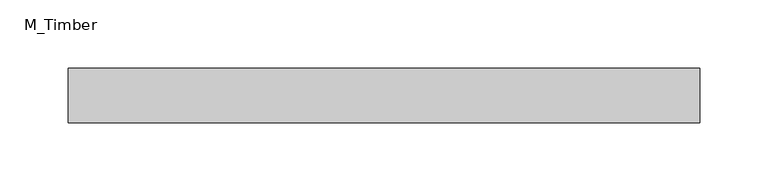
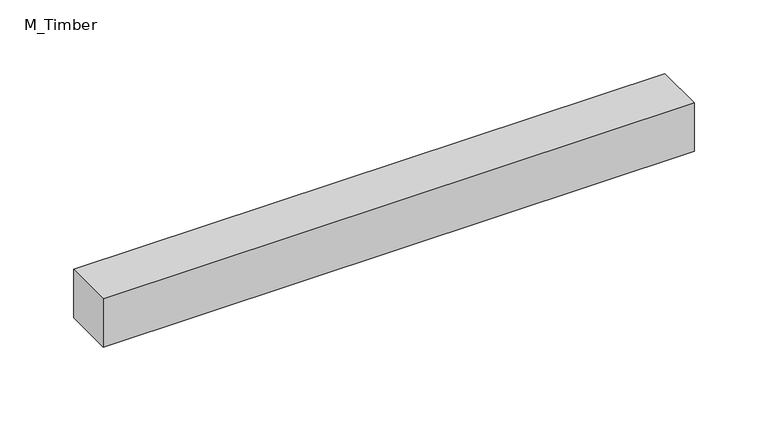
"""IFC4 building model written with IfcOpenShell, lengths in millimetres: beam geometry, M_Timber."""

import ifcopenshell
import ifcopenshell.guid

model = None  # the IFC model being written
_history = None  # IfcOwnerHistory: only IFC2X3 demands one
_inside = {}  # id of a spatial element -> (the spatial element, [elements in it])
_under = {}  # id of a project, library or spatial element -> (it, [spatial elements below it])
_declared = {}  # id of a project -> (the project, [libraries it declares])
_typed = {}  # id of a type object -> (the type object, [elements of that type])
_made_of = {}  # id of a material, layer set ... -> (it, [elements and type objects made of it])


def new_model(schema):
    """Start an empty IFC model of exactly this schema.

    Asked for "IFC4X3", IfcOpenShell would pick the latest addendum, in which some entities
    have other attributes; the version numbers below select the first issue.
    IFC2X3 requires an IfcOwnerHistory on every rooted entity: one is made here for all.
    """
    global model, _history
    if schema == "IFC4X3":
        model = ifcopenshell.file(schema_version=(4, 3, 0, 0))
    else:
        model = ifcopenshell.file(schema=schema)
    _inside.clear()
    _under.clear()
    _declared.clear()
    _typed.clear()
    _made_of.clear()
    _history = None
    if model.schema == "IFC2X3":
        org = make("IfcOrganization", Name="unknown")
        user = make(
            "IfcPersonAndOrganization",
            ThePerson=make("IfcPerson", FamilyName="unknown"),
            TheOrganization=org,
        )
        app = make(
            "IfcApplication",
            ApplicationDeveloper=org,
            Version="unknown",
            ApplicationFullName="unknown",
            ApplicationIdentifier="unknown",
        )
        _history = make(
            "IfcOwnerHistory",
            OwningUser=user,
            OwningApplication=app,
            ChangeAction="ADDED",
            CreationDate=0,
        )
    return model


def make(cls, **values):
    """One entity of the class cls with the attributes given. An attribute that is None is left unset."""
    return model.create_entity(
        cls, **{name: value for name, value in values.items() if value is not None}
    )


def rooted(cls, **values):
    """An entity with a GlobalId (a new one), such as an element, a storey or a relation."""
    return make(cls, GlobalId=ifcopenshell.guid.new(), OwnerHistory=_history, **values)


def si_unit(unit_type, name, prefix=None):
    """IfcSIUnit, for example si_unit("LENGTHUNIT", "METRE", prefix="MILLI")."""
    return make("IfcSIUnit", UnitType=unit_type, Prefix=prefix, Name=name)


def assignment(units):
    """IfcUnitAssignment: the units of a project."""
    return None if units is None else make("IfcUnitAssignment", Units=units)


def point(xyz):
    """IfcCartesianPoint."""
    return None if xyz is None else make("IfcCartesianPoint", Coordinates=xyz)


def direction(xyz):
    """IfcDirection."""
    return None if xyz is None else make("IfcDirection", DirectionRatios=xyz)


def frame(location, z_axis=None, x_axis=None):
    """IfcAxis2Placement3D, a coordinate frame: its origin and axes. An axis left out is left unset."""
    return make(
        "IfcAxis2Placement3D",
        Location=point(location),
        Axis=direction(z_axis),
        RefDirection=direction(x_axis),
    )


def origin():
    """The frame at (0, 0, 0) with its axes left unset."""
    return frame((0.0, 0.0, 0.0))


def place(relative_to, where):
    """IfcLocalPlacement: puts the frame where relative to a parent placement (None: the world)."""
    return make(
        "IfcLocalPlacement", PlacementRelTo=relative_to, RelativePlacement=where
    )


def context(
    kind, dimensions, precision=None, world=None, true_north=None, identifier=None
):
    """IfcGeometricRepresentationContext, for example the 3D "Model" context."""
    return make(
        "IfcGeometricRepresentationContext",
        ContextIdentifier=identifier,
        ContextType=kind,
        CoordinateSpaceDimension=dimensions,
        Precision=precision,
        WorldCoordinateSystem=world,
        TrueNorth=true_north,
    )


def project(units=None, contexts=None):
    """IfcProject with its units and contexts."""
    return rooted(
        "IfcProject",
        Name="project",
        RepresentationContexts=contexts,
        UnitsInContext=assignment(units),
    )


def spatial(cls, under=None, at=None, **own):
    """A site, building, storey or space (cls), placed at a placement, below another one or the project."""
    s = rooted(cls, ObjectPlacement=at, **own)
    if under is not None:
        _under.setdefault(under.id(), (under, []))[1].append(s)
    return s


def polyline(points):
    """IfcPolyline through the points."""
    return make("IfcPolyline", Points=[point(p) for p in points])


def outline(outer, holes=None, kind="AREA"):
    """IfcArbitraryClosedProfileDef: a profile drawn as a closed curve; with holes, ...WithVoids."""
    if holes is None:
        return make("IfcArbitraryClosedProfileDef", ProfileType=kind, OuterCurve=outer)
    return make(
        "IfcArbitraryProfileDefWithVoids",
        ProfileType=kind,
        OuterCurve=outer,
        InnerCurves=holes,
    )


def extrude(swept, where, along, depth):
    """IfcExtrudedAreaSolid: the profile swept, set in the frame where, extruded along a direction by depth."""
    return make(
        "IfcExtrudedAreaSolid",
        SweptArea=swept,
        Position=where,
        ExtrudedDirection=direction(along),
        Depth=depth,
    )


def shape(context_of_items, identifier, shape_type, items):
    """IfcShapeRepresentation: the items that make up one representation, for example the "Body"."""
    return make(
        "IfcShapeRepresentation",
        ContextOfItems=context_of_items,
        RepresentationIdentifier=identifier,
        RepresentationType=shape_type,
        Items=items,
    )


def source(mapping_origin, context_of_items, identifier, shape_type, items):
    """IfcRepresentationMap: a shape defined once, which mapped items show again and again."""
    return make(
        "IfcRepresentationMap",
        MappingOrigin=mapping_origin,
        MappedRepresentation=shape(context_of_items, identifier, shape_type, items),
    )


def transform(
    local_origin,
    x_axis=None,
    y_axis=None,
    z_axis=None,
    scale=None,
    scale2=None,
    scale3=None,
    uniform=True,
):
    """IfcCartesianTransformationOperator3D, or its non-uniform kind. x_axis, y_axis, z_axis: its Axis1, 2, 3."""
    if uniform:
        return make(
            "IfcCartesianTransformationOperator3D",
            Axis1=direction(x_axis),
            Axis2=direction(y_axis),
            LocalOrigin=point(local_origin),
            Scale=scale,
            Axis3=direction(z_axis),
        )
    return make(
        "IfcCartesianTransformationOperator3DnonUniform",
        Axis1=direction(x_axis),
        Axis2=direction(y_axis),
        LocalOrigin=point(local_origin),
        Scale=scale,
        Axis3=direction(z_axis),
        Scale2=scale2,
        Scale3=scale3,
    )


def mapped(mapping_source, mapping_target):
    """IfcMappedItem: shows the shape of a source again, moved by a transform."""
    return make(
        "IfcMappedItem", MappingSource=mapping_source, MappingTarget=mapping_target
    )


def made_of(thing, what):
    """Note that an element or type object is made of a material, layer set ...; save() writes the relation."""
    if what is not None:
        _made_of.setdefault(what.id(), (what, []))[1].append(thing)
    return thing


def element(
    cls,
    number,
    at=None,
    inside=None,
    cuts=None,
    type_object=None,
    material=None,
    context=None,
    identifier="Body",
    shape_type=None,
    held_by="IfcProductDefinitionShape",
    body=None,
    shapes=None,
    **own,
):
    """One element of the class cls, such as IfcWall. Its Tag is "e" and its number.

    at: its placement. inside: the storey or other place that contains it. cuts: it is an
    opening in that element (IfcRelVoidsElement). A single representation is given by context,
    identifier, shape_type and body (its items); several are given by shapes. held_by: the class
    of the entity that holds the representations. save() writes the other relations.
    """
    e = rooted(cls, Tag="e%d" % number, ObjectPlacement=at, **own)
    if body is not None:
        shapes = [shape(context, identifier, shape_type, body)]
    if shapes is not None:
        e.Representation = make(held_by, Representations=shapes)
    if inside is not None:
        _inside.setdefault(inside.id(), (inside, []))[1].append(e)
    if cuts is not None:
        rooted(
            "IfcRelVoidsElement", RelatingBuildingElement=cuts, RelatedOpeningElement=e
        )
    if type_object is not None:
        _typed.setdefault(type_object.id(), (type_object, []))[1].append(e)
    return made_of(e, material)


def aggregate(whole, parts):
    """IfcRelAggregates: a whole, such as a stair, and the parts it consists of."""
    return rooted("IfcRelAggregates", RelatingObject=whole, RelatedObjects=parts)


def save(model, path):
    """Write the relations noted so far, then the file.

    IfcRelAggregates (storeys below a building ...), IfcRelContainedInSpatialStructure (elements
    in a storey), IfcRelDefinesByType, IfcRelAssociatesMaterial and IfcRelDeclares: one each for
    every whole, place, type object, material and project.
    """
    for whole, parts in _under.values():
        aggregate(whole, parts)
    for where, things in _inside.values():
        rooted(
            "IfcRelContainedInSpatialStructure",
            RelatedElements=things,
            RelatingStructure=where,
        )
    for kind, things in _typed.values():
        rooted("IfcRelDefinesByType", RelatedObjects=things, RelatingType=kind)
    for what, things in _made_of.values():
        rooted("IfcRelAssociatesMaterial", RelatedObjects=things, RelatingMaterial=what)
    for by, libraries in _declared.values():
        rooted("IfcRelDeclares", RelatingContext=by, RelatedDefinitions=libraries)
    model.write(path)


def m_timber_b0a48aaa(model_context):
    return source(origin(), model_context, "Body", "SweptSolid", [
        extrude(outline(polyline([(231.5847134, 20.0), (231.5847134, -20.0), (-231.5847134, -20.0), (-231.5847134, 20.0), (231.5847134, 20.0)])), frame((0.0, 0.0, -20.0), z_axis=(0.0, 0.0, 1.0), x_axis=(1.0, 0.0, 0.0)), (0.0, 0.0, 1.0), 40.0),
    ])


if __name__ == "__main__":
    model = new_model("IFC4")
    model_context = context("Model", 3, world=origin())
    ifc_project = project(units=[si_unit("LENGTHUNIT", "METRE", prefix="MILLI")], contexts=[model_context])
    site = spatial("IfcSite", under=ifc_project)
    building = spatial("IfcBuilding", under=site)
    placement = place(None, origin())
    m_timber_shape = m_timber_b0a48aaa(model_context)
    element("IfcBeam", 1, ObjectType="M_Timber", at=placement, inside=building, context=model_context, shape_type="MappedRepresentation", body=[
        mapped(m_timber_shape, transform((0.0, 0.0, 0.0), x_axis=(1.0, 0.0, 0.0), y_axis=(0.0, 1.0, 0.0), z_axis=(0.0, 0.0, 1.0))),
    ])
    save(model, "model.ifc")
